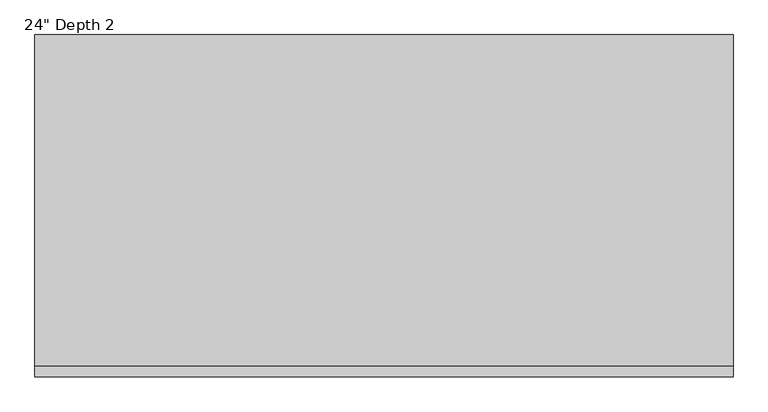
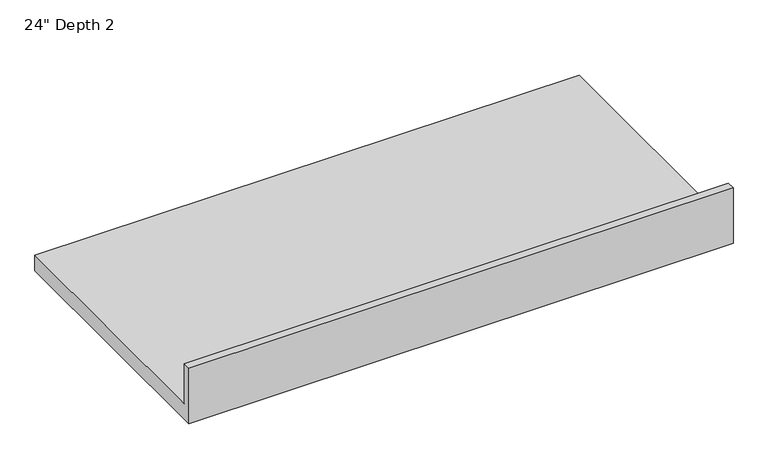
"""IFC4 building model written with IfcOpenShell, lengths in millimetres: furniture geometry."""

from ifc_helpers import new_model, si_unit, frame, origin, place, context, project, spatial, polyline, outline, extrude, source, transform, mapped, element, save


def furniture_12aaf1cc(model_context):
    return source(origin(), model_context, "Body", "SweptSolid", [
        extrude(outline(polyline([(0.0, 1016.0), (19.05, 1016.0), (19.05, 914.4), (635.0, 914.4), (635.0, 876.3), (0.0, 876.3), (0.0, 1016.0)])), frame((-1225.8622951, 0.0, 0.0), z_axis=(1.0, 0.0, 0.0), x_axis=(0.0, 1.0, 0.0)), (0.0, 0.0, 1.0), 1295.4),
    ])


if __name__ == "__main__":
    model = new_model("IFC4")
    model_context = context("Model", 3, world=origin())
    ifc_project = project(units=[si_unit("LENGTHUNIT", "METRE", prefix="MILLI")], contexts=[model_context])
    site = spatial("IfcSite", under=ifc_project)
    building = spatial("IfcBuilding", under=site)
    placement = place(None, origin())
    furniture_shape = furniture_12aaf1cc(model_context)
    element("IfcFurniture", 1, ObjectType="24\" Depth 2", at=placement, inside=building, context=model_context, shape_type="MappedRepresentation", body=[
        mapped(furniture_shape, transform((0.0, 0.0, 0.0), x_axis=(1.0, 0.0, 0.0), y_axis=(0.0, 1.0, 0.0), z_axis=(0.0, 0.0, 1.0))),
    ])
    save(model, "model.ifc")
